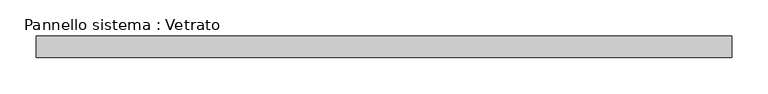
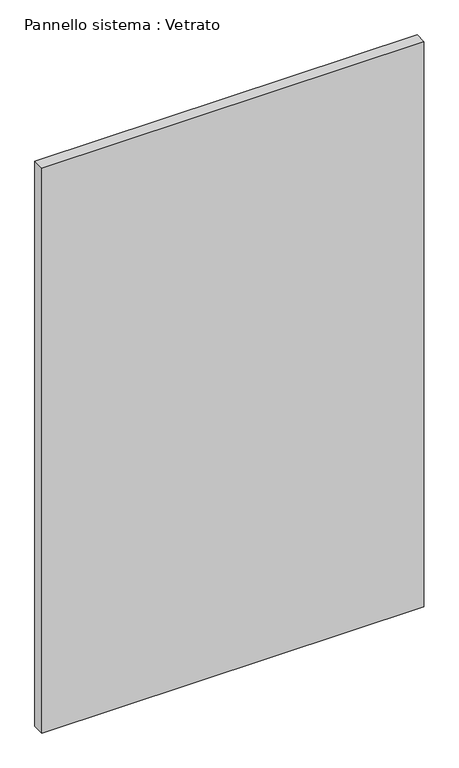
"""IFC4 building model written with IfcOpenShell, lengths in millimetres: plate geometry, Pannello sistema : Vetrato."""

import ifcopenshell
import ifcopenshell.guid

model = None  # the IFC model being written
_history = None  # IfcOwnerHistory: only IFC2X3 demands one
_inside = {}  # id of a spatial element -> (the spatial element, [elements in it])
_under = {}  # id of a project, library or spatial element -> (it, [spatial elements below it])
_declared = {}  # id of a project -> (the project, [libraries it declares])
_typed = {}  # id of a type object -> (the type object, [elements of that type])
_made_of = {}  # id of a material, layer set ... -> (it, [elements and type objects made of it])


def new_model(schema):
    """Start an empty IFC model of exactly this schema.

    Asked for "IFC4X3", IfcOpenShell would pick the latest addendum, in which some entities
    have other attributes; the version numbers below select the first issue.
    IFC2X3 requires an IfcOwnerHistory on every rooted entity: one is made here for all.
    """
    global model, _history
    if schema == "IFC4X3":
        model = ifcopenshell.file(schema_version=(4, 3, 0, 0))
    else:
        model = ifcopenshell.file(schema=schema)
    _inside.clear()
    _under.clear()
    _declared.clear()
    _typed.clear()
    _made_of.clear()
    _history = None
    if model.schema == "IFC2X3":
        org = make("IfcOrganization", Name="unknown")
        user = make(
            "IfcPersonAndOrganization",
            ThePerson=make("IfcPerson", FamilyName="unknown"),
            TheOrganization=org,
        )
        app = make(
            "IfcApplication",
            ApplicationDeveloper=org,
            Version="unknown",
            ApplicationFullName="unknown",
            ApplicationIdentifier="unknown",
        )
        _history = make(
            "IfcOwnerHistory",
            OwningUser=user,
            OwningApplication=app,
            ChangeAction="ADDED",
            CreationDate=0,
        )
    return model


def make(cls, **values):
    """One entity of the class cls with the attributes given. An attribute that is None is left unset."""
    return model.create_entity(
        cls, **{name: value for name, value in values.items() if value is not None}
    )


def rooted(cls, **values):
    """An entity with a GlobalId (a new one), such as an element, a storey or a relation."""
    return make(cls, GlobalId=ifcopenshell.guid.new(), OwnerHistory=_history, **values)


def si_unit(unit_type, name, prefix=None):
    """IfcSIUnit, for example si_unit("LENGTHUNIT", "METRE", prefix="MILLI")."""
    return make("IfcSIUnit", UnitType=unit_type, Prefix=prefix, Name=name)


def assignment(units):
    """IfcUnitAssignment: the units of a project."""
    return None if units is None else make("IfcUnitAssignment", Units=units)


def point(xyz):
    """IfcCartesianPoint."""
    return None if xyz is None else make("IfcCartesianPoint", Coordinates=xyz)


def direction(xyz):
    """IfcDirection."""
    return None if xyz is None else make("IfcDirection", DirectionRatios=xyz)


def frame(location, z_axis=None, x_axis=None):
    """IfcAxis2Placement3D, a coordinate frame: its origin and axes. An axis left out is left unset."""
    return make(
        "IfcAxis2Placement3D",
        Location=point(location),
        Axis=direction(z_axis),
        RefDirection=direction(x_axis),
    )


def origin():
    """The frame at (0, 0, 0) with its axes left unset."""
    return frame((0.0, 0.0, 0.0))


def origin_with_axes():
    """The frame at (0, 0, 0) with the z axis (0, 0, 1) and the x axis (1, 0, 0) written out."""
    return frame((0.0, 0.0, 0.0), z_axis=(0.0, 0.0, 1.0), x_axis=(1.0, 0.0, 0.0))


def place(relative_to, where):
    """IfcLocalPlacement: puts the frame where relative to a parent placement (None: the world)."""
    return make(
        "IfcLocalPlacement", PlacementRelTo=relative_to, RelativePlacement=where
    )


def context(
    kind, dimensions, precision=None, world=None, true_north=None, identifier=None
):
    """IfcGeometricRepresentationContext, for example the 3D "Model" context."""
    return make(
        "IfcGeometricRepresentationContext",
        ContextIdentifier=identifier,
        ContextType=kind,
        CoordinateSpaceDimension=dimensions,
        Precision=precision,
        WorldCoordinateSystem=world,
        TrueNorth=true_north,
    )


def project(units=None, contexts=None):
    """IfcProject with its units and contexts."""
    return rooted(
        "IfcProject",
        Name="project",
        RepresentationContexts=contexts,
        UnitsInContext=assignment(units),
    )


def spatial(cls, under=None, at=None, **own):
    """A site, building, storey or space (cls), placed at a placement, below another one or the project."""
    s = rooted(cls, ObjectPlacement=at, **own)
    if under is not None:
        _under.setdefault(under.id(), (under, []))[1].append(s)
    return s


def polyline(points):
    """IfcPolyline through the points."""
    return make("IfcPolyline", Points=[point(p) for p in points])


def outline(outer, holes=None, kind="AREA"):
    """IfcArbitraryClosedProfileDef: a profile drawn as a closed curve; with holes, ...WithVoids."""
    if holes is None:
        return make("IfcArbitraryClosedProfileDef", ProfileType=kind, OuterCurve=outer)
    return make(
        "IfcArbitraryProfileDefWithVoids",
        ProfileType=kind,
        OuterCurve=outer,
        InnerCurves=holes,
    )


def extrude(swept, where, along, depth):
    """IfcExtrudedAreaSolid: the profile swept, set in the frame where, extruded along a direction by depth."""
    return make(
        "IfcExtrudedAreaSolid",
        SweptArea=swept,
        Position=where,
        ExtrudedDirection=direction(along),
        Depth=depth,
    )


def shape(context_of_items, identifier, shape_type, items):
    """IfcShapeRepresentation: the items that make up one representation, for example the "Body"."""
    return make(
        "IfcShapeRepresentation",
        ContextOfItems=context_of_items,
        RepresentationIdentifier=identifier,
        RepresentationType=shape_type,
        Items=items,
    )


def source(mapping_origin, context_of_items, identifier, shape_type, items):
    """IfcRepresentationMap: a shape defined once, which mapped items show again and again."""
    return make(
        "IfcRepresentationMap",
        MappingOrigin=mapping_origin,
        MappedRepresentation=shape(context_of_items, identifier, shape_type, items),
    )


def transform(
    local_origin,
    x_axis=None,
    y_axis=None,
    z_axis=None,
    scale=None,
    scale2=None,
    scale3=None,
    uniform=True,
):
    """IfcCartesianTransformationOperator3D, or its non-uniform kind. x_axis, y_axis, z_axis: its Axis1, 2, 3."""
    if uniform:
        return make(
            "IfcCartesianTransformationOperator3D",
            Axis1=direction(x_axis),
            Axis2=direction(y_axis),
            LocalOrigin=point(local_origin),
            Scale=scale,
            Axis3=direction(z_axis),
        )
    return make(
        "IfcCartesianTransformationOperator3DnonUniform",
        Axis1=direction(x_axis),
        Axis2=direction(y_axis),
        LocalOrigin=point(local_origin),
        Scale=scale,
        Axis3=direction(z_axis),
        Scale2=scale2,
        Scale3=scale3,
    )


def mapped(mapping_source, mapping_target):
    """IfcMappedItem: shows the shape of a source again, moved by a transform."""
    return make(
        "IfcMappedItem", MappingSource=mapping_source, MappingTarget=mapping_target
    )


def made_of(thing, what):
    """Note that an element or type object is made of a material, layer set ...; save() writes the relation."""
    if what is not None:
        _made_of.setdefault(what.id(), (what, []))[1].append(thing)
    return thing


def element(
    cls,
    number,
    at=None,
    inside=None,
    cuts=None,
    type_object=None,
    material=None,
    context=None,
    identifier="Body",
    shape_type=None,
    held_by="IfcProductDefinitionShape",
    body=None,
    shapes=None,
    **own,
):
    """One element of the class cls, such as IfcWall. Its Tag is "e" and its number.

    at: its placement. inside: the storey or other place that contains it. cuts: it is an
    opening in that element (IfcRelVoidsElement). A single representation is given by context,
    identifier, shape_type and body (its items); several are given by shapes. held_by: the class
    of the entity that holds the representations. save() writes the other relations.
    """
    e = rooted(cls, Tag="e%d" % number, ObjectPlacement=at, **own)
    if body is not None:
        shapes = [shape(context, identifier, shape_type, body)]
    if shapes is not None:
        e.Representation = make(held_by, Representations=shapes)
    if inside is not None:
        _inside.setdefault(inside.id(), (inside, []))[1].append(e)
    if cuts is not None:
        rooted(
            "IfcRelVoidsElement", RelatingBuildingElement=cuts, RelatedOpeningElement=e
        )
    if type_object is not None:
        _typed.setdefault(type_object.id(), (type_object, []))[1].append(e)
    return made_of(e, material)


def aggregate(whole, parts):
    """IfcRelAggregates: a whole, such as a stair, and the parts it consists of."""
    return rooted("IfcRelAggregates", RelatingObject=whole, RelatedObjects=parts)


def save(model, path):
    """Write the relations noted so far, then the file.

    IfcRelAggregates (storeys below a building ...), IfcRelContainedInSpatialStructure (elements
    in a storey), IfcRelDefinesByType, IfcRelAssociatesMaterial and IfcRelDeclares: one each for
    every whole, place, type object, material and project.
    """
    for whole, parts in _under.values():
        aggregate(whole, parts)
    for where, things in _inside.values():
        rooted(
            "IfcRelContainedInSpatialStructure",
            RelatedElements=things,
            RelatingStructure=where,
        )
    for kind, things in _typed.values():
        rooted("IfcRelDefinesByType", RelatedObjects=things, RelatingType=kind)
    for what, things in _made_of.values():
        rooted("IfcRelAssociatesMaterial", RelatedObjects=things, RelatingMaterial=what)
    for by, libraries in _declared.values():
        rooted("IfcRelDeclares", RelatingContext=by, RelatedDefinitions=libraries)
    model.write(path)


def pannello_sistema_vetrato_dce66498(model_context):
    return source(origin(), model_context, "Body", "SweptSolid", [
        extrude(outline(polyline([(480.0, -15.0), (-480.0, -15.0), (-480.0, 15.0), (480.0, 15.0), (480.0, -15.0)])), origin_with_axes(), (0.0, 0.0, 1.0), 1500.0),
    ])


if __name__ == "__main__":
    model = new_model("IFC4")
    model_context = context("Model", 3, world=origin())
    ifc_project = project(units=[si_unit("LENGTHUNIT", "METRE", prefix="MILLI")], contexts=[model_context])
    site = spatial("IfcSite", under=ifc_project)
    building = spatial("IfcBuilding", under=site)
    placement = place(None, origin())
    pannello_sistema_vetrato_shape = pannello_sistema_vetrato_dce66498(model_context)
    element("IfcPlate", 1, ObjectType="Pannello sistema : Vetrato", at=placement, inside=building, context=model_context, shape_type="MappedRepresentation", body=[
        mapped(pannello_sistema_vetrato_shape, transform((0.0, 0.0, 0.0), x_axis=(1.0, 0.0, 0.0), y_axis=(0.0, 1.0, 0.0), z_axis=(0.0, 0.0, 1.0))),
    ])
    save(model, "model.ifc")
